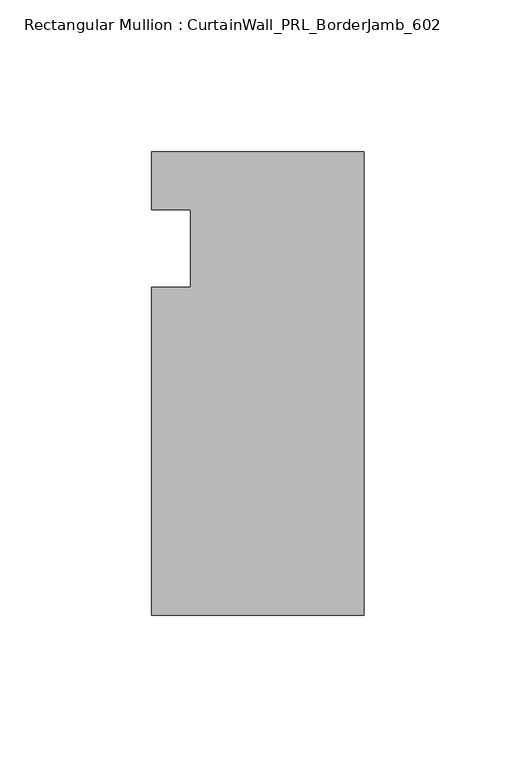
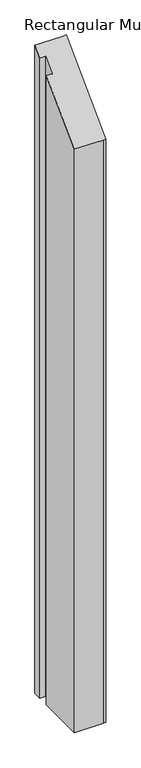
"""IFC4 building model written with IfcOpenShell, lengths in millimetres: member geometry, Rectangular Mullion : CurtainWall_PRL_BorderJamb_602."""

from ifc_helpers import new_model, si_unit, origin, place, context, project, spatial, faceted_brep, source, transform, mapped, element, save


def rectangular_mullion_curtainwall_prl_borderjamb_602_1936cfb5(model_context):
    return source(origin(), model_context, "Body", "Brep", [
        faceted_brep([(-57.15, -12.7, -1492.25), (-57.15, 12.7, -1492.25), (-69.85, 12.7, -1492.25), (-69.85, 31.75, -1492.25), (-7.3958824, 31.75, -1492.25), (0.0, 31.75, -1492.25), (0.0, -120.65, -1492.25), (-6.35, -120.65, -1492.25), (-69.85, -120.65, -1492.25), (-69.85, -12.7, -1492.25), (-69.85, -12.7, -12.7), (-57.15, -12.7, -12.7), (-69.85, -120.65, -120.65), (-6.35, -120.65, -120.65), (0.0, -120.65, -120.65), (0.0, 31.75, 31.75), (-7.3958824, 31.75, 31.75), (-69.85, 31.75, 31.75), (-69.85, 12.7, 12.7), (-57.15, 12.7, 12.7)], [[[0, 1, 2, 3, 4, 5, 6, 7, 8, 9]], [[10, 11, 0, 9]], [[12, 10, 9, 8]], [[13, 12, 8, 7]], [[14, 13, 7, 6]], [[15, 14, 6, 5]], [[16, 15, 5, 4]], [[17, 16, 4, 3]], [[18, 17, 3, 2]], [[19, 18, 2, 1]], [[11, 19, 1, 0]], [[11, 10, 12, 13, 14, 15, 16, 17, 18, 19]]]),
    ])


if __name__ == "__main__":
    model = new_model("IFC4")
    model_context = context("Model", 3, world=origin())
    ifc_project = project(units=[si_unit("LENGTHUNIT", "METRE", prefix="MILLI")], contexts=[model_context])
    site = spatial("IfcSite", under=ifc_project)
    building = spatial("IfcBuilding", under=site)
    placement = place(None, origin())
    rectangular_mullion_curtainwall_prl_borderjamb_602_shape = rectangular_mullion_curtainwall_prl_borderjamb_602_1936cfb5(model_context)
    element("IfcMember", 1, ObjectType="Rectangular Mullion : CurtainWall_PRL_BorderJamb_602", at=placement, inside=building, context=model_context, shape_type="MappedRepresentation", body=[
        mapped(rectangular_mullion_curtainwall_prl_borderjamb_602_shape, transform((0.0, 0.0, 0.0), x_axis=(1.0, 0.0, 0.0), y_axis=(0.0, 1.0, 0.0), z_axis=(0.0, 0.0, 1.0))),
    ])
    save(model, "model.ifc")
